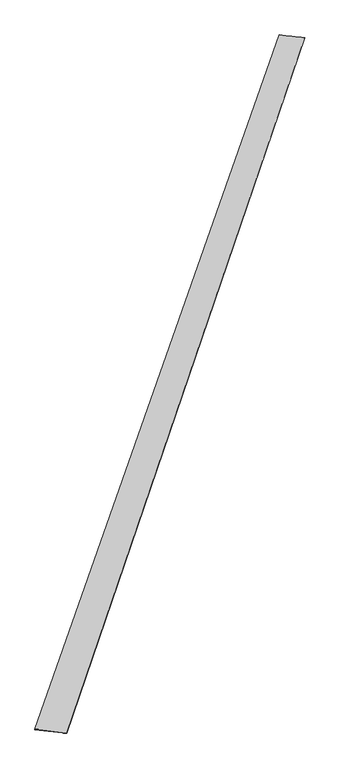
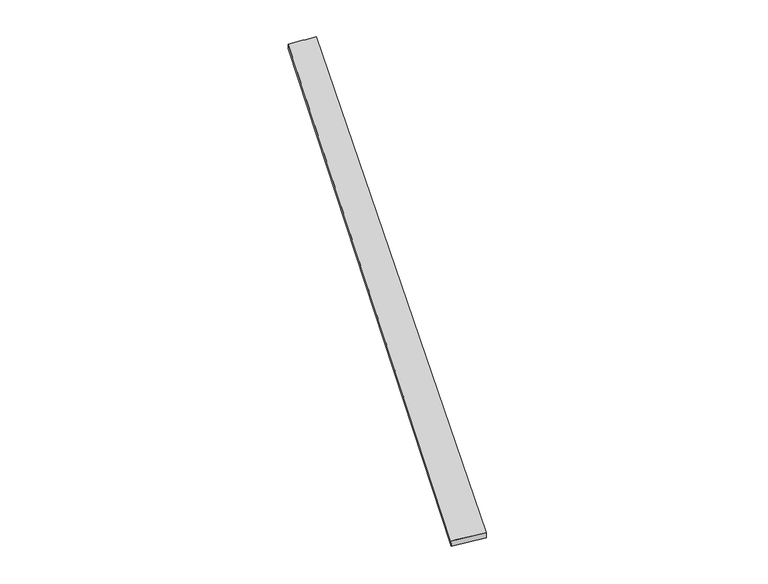
"""IFC4 building model written with IfcOpenShell, lengths in millimetres: proxy geometry."""

from ifc_helpers import new_model, si_unit, origin, place, context, project, spatial, source, transform, mapped, element, save
from ifc_brep_helpers import spline_surface, advanced_brep


def generic_models_cab32416(model_context):
    return source(origin(), model_context, "Body", "AdvancedBrep", [
        advanced_brep(
        [(-693.6855465, -1757.3367179, 1.312466), (-694.1418348, -1757.1536217, 31.308437), (682.4223703, 2155.6867236, 28.3639291), (682.7639632, 2155.5439729, -1.6337864), (-513.8465628, -1777.5507538, 28.6590187), (825.0407839, 2139.2050147, 31.6175081), (-515.0697824, -1777.1093006, -1.3127823), (825.9913657, 2138.9020456, 1.6341026)],
        [
            (0, 1),
            (1, 2),
            (2, 3),
            (3, 0),
            (1, 4),
            (4, 5),
            (5, 2),
            (4, 6),
            (6, 7),
            (7, 5),
            (6, 0),
            (3, 7),
        ],
        [
            spline_surface(1, 1, [[(-693.6855465, -1757.3367179, 1.312466), (682.7639632, 2155.5439729, -1.6337864)], [(-694.1418348, -1757.1536217, 31.308437), (682.4223703, 2155.6867236, 28.3639291)]], [2, 2], [2, 2], [0.0, 1.0], [0.0, 1.0]),
            spline_surface(1, 1, [[(-694.1418348, -1757.1536217, 31.308437), (682.4223703, 2155.6867236, 28.3639291)], [(-513.8465628, -1777.5507538, 28.6590187), (825.0407839, 2139.2050147, 31.6175081)]], [2, 2], [2, 2], [0.0, 1.0], [0.0, 1.0]),
            spline_surface(1, 1, [[(-513.8465628, -1777.5507538, 28.6590187), (825.0407839, 2139.2050147, 31.6175081)], [(-515.0697824, -1777.1093006, -1.3127823), (825.9913657, 2138.9020456, 1.6341026)]], [2, 2], [2, 2], [0.0, 1.0], [0.0, 1.0]),
            spline_surface(1, 1, [[(-515.0697824, -1777.1093006, -1.3127823), (825.9913657, 2138.9020456, 1.6341026)], [(-693.6855465, -1757.3367179, 1.312466), (682.7639632, 2155.5439729, -1.6337864)]], [2, 2], [2, 2], [0.0, 1.0], [0.0, 1.0]),
            spline_surface(1, 1, [[(682.4223703, 2155.6867236, 28.3639291), (682.7639632, 2155.5439729, -1.6337864)], [(825.0407839, 2139.2050147, 31.6175081), (825.9913657, 2138.9020456, 1.6341026)]], [2, 2], [2, 2], [0.0, 1.0], [0.0, 1.0]),
            spline_surface(1, 1, [[(-515.0697824, -1777.1093006, -1.3127823), (-693.6855465, -1757.3367179, 1.312466)], [(-513.8465628, -1777.5507538, 28.6590187), (-694.1418348, -1757.1536217, 31.308437)]], [2, 2], [2, 2], [0.0, 1.0], [0.0, 1.0]),
        ],
        [
            (0, [[1, 2, 3, 4]]),
            (1, [[5, 6, 7, -2]]),
            (2, [[8, 9, 10, -6]]),
            (3, [[11, -4, 12, -9]]),
            (4, [[-3, -7, -10, -12]]),
            (5, [[-11, -8, -5, -1]]),
        ],
    ),
    ])


if __name__ == "__main__":
    model = new_model("IFC4")
    model_context = context("Model", 3, world=origin())
    ifc_project = project(units=[si_unit("LENGTHUNIT", "METRE", prefix="MILLI")], contexts=[model_context])
    site = spatial("IfcSite", under=ifc_project)
    building = spatial("IfcBuilding", under=site)
    placement = place(None, origin())
    generic_models_shape = generic_models_cab32416(model_context)
    element("IfcBuildingElementProxy", 1, Name="Generic Models", at=placement, inside=building, context=model_context, shape_type="MappedRepresentation", body=[
        mapped(generic_models_shape, transform((0.0, 0.0, 0.0), x_axis=(1.0, 0.0, 0.0), y_axis=(0.0, 1.0, 0.0), z_axis=(0.0, 0.0, 1.0))),
    ])
    save(model, "model.ifc")
